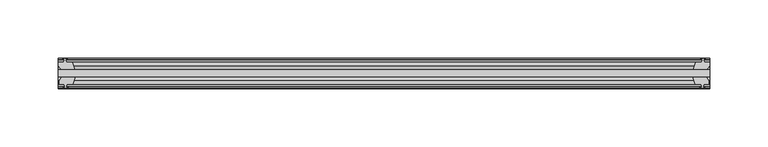
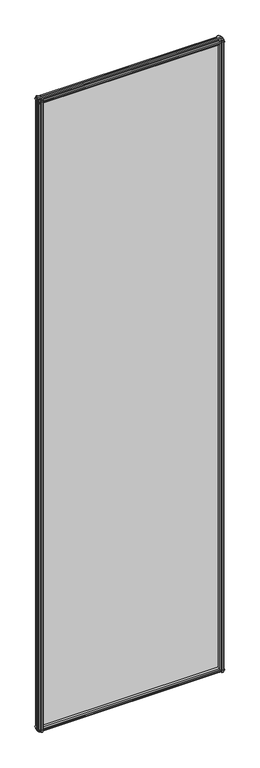
"""IFC4 building model written with IfcOpenShell, lengths in millimetres: plate geometry."""

from ifc_helpers import new_model, si_unit, frame, origin, place, context, project, spatial, polyline, outline, extrude, source, transform, mapped, element, save


def plate_557147c2(model_context):
    return source(origin(), model_context, "Body", "SweptSolid", [
        extrude(outline(polyline([(-301.625, -19.5460937), (258.2664063, -19.5460937), (258.2664063, -25.8960937), (-301.625, -25.8960937), (-301.625, -19.5460937)])), frame((0.0, 0.0, -12.7), z_axis=(0.0, 0.0, 1.0), x_axis=(1.0, 0.0, 0.0)), (0.0, 0.0, 1.0), 2019.3),
        extrude(outline(polyline([(255.29171, -25.8960937), (257.5044063, -29.2996938), (257.5044063, -32.2460938), (253.0594063, -32.2460938), (252.6784063, -34.6262907), (254.0939353, -34.1663575), (254.0939353, -34.9675717), (251.9164063, -35.6750938), (249.7388772, -34.9675717), (249.7388772, -34.1663575), (251.1544063, -34.6262907), (250.7734063, -32.2460938), (245.5664063, -32.2460938), (243.4611292, -25.8960937), (255.29171, -25.8960937)])), frame((0.0, 0.0, -12.7), z_axis=(0.0, 0.0, 1.0), x_axis=(1.0, 0.0, 0.0)), (0.0, 0.0, 1.0), 2019.3),
        extrude(outline(polyline([(250.2595772, -10.4746158), (252.4371062, -9.7670938), (254.6146353, -10.4746158), (254.6146353, -11.27583), (253.1991062, -10.8158968), (253.5801062, -13.1960938), (258.0251062, -13.1960938), (258.0251062, -16.1424938), (255.81241, -19.5460937), (243.9818292, -19.5460937), (246.0871062, -13.1960938), (251.2941062, -13.1960938), (251.6751062, -10.8158968), (250.2595772, -11.27583), (250.2595772, -10.4746158)])), frame((0.0, 0.0, -12.7), z_axis=(0.0, 0.0, 1.0), x_axis=(1.0, 0.0, 0.0)), (0.0, 0.0, 1.0), 2019.3),
        extrude(outline(polyline([(-286.8197229, -25.8960937), (-288.925, -32.2460937), (-294.132, -32.2460937), (-294.513, -34.6262907), (-293.0974709, -34.1663575), (-293.0974709, -34.9675717), (-295.275, -35.6750937), (-297.4525291, -34.9675717), (-297.4525291, -34.1663575), (-296.037, -34.6262907), (-296.418, -32.2460937), (-300.863, -32.2460937), (-300.863, -29.2996937), (-298.6503038, -25.8960937), (-286.8197229, -25.8960937)])), frame((0.0, 0.0, -12.7), z_axis=(0.0, 0.0, 1.0), x_axis=(1.0, 0.0, 0.0)), (0.0, 0.0, 1.0), 2019.3),
        extrude(outline(polyline([(-296.5577, -10.8158968), (-297.973229, -11.27583), (-297.973229, -10.4746158), (-295.7957, -9.7670937), (-293.6181709, -10.4746158), (-293.6181709, -11.27583), (-295.0337, -10.8158968), (-294.6527, -13.1960937), (-289.4457, -13.1960937), (-287.3404229, -19.5460937), (-299.1710038, -19.5460937), (-301.3837, -16.1424937), (-301.3837, -13.1960937), (-296.9387, -13.1960937), (-296.5577, -10.8158968)])), frame((0.0, 0.0, -12.7), z_axis=(0.0, 0.0, 1.0), x_axis=(1.0, 0.0, 0.0)), (0.0, 0.0, 1.0), 2019.3),
        extrude(outline(polyline([(-13.1960937, 2006.3587), (-13.1960937, 2001.9137), (-10.8158968, 2001.5327), (-11.27583, 2002.9482291), (-10.4746158, 2002.9482291), (-9.7670937, 2000.7707), (-10.4746158, 1998.5931709), (-11.27583, 1998.5931709), (-10.8158968, 2000.0087), (-13.1960937, 1999.6277), (-13.1960937, 1994.4207), (-19.5460937, 1992.3154229), (-19.5460937, 2004.1460038), (-16.1424937, 2006.3587), (-13.1960937, 2006.3587)])), frame((-301.625, 0.0, 0.0), z_axis=(1.0, 0.0, 0.0), x_axis=(0.0, 1.0, 0.0)), (0.0, 0.0, 1.0), 559.8914062),
        extrude(outline(polyline([(-29.2996937, 2005.838), (-25.8960937, 2003.6253038), (-25.8960937, 1991.7947229), (-32.2460937, 1993.9), (-32.2460937, 1999.107), (-34.6262907, 1999.488), (-34.1663575, 1998.072471), (-34.9675717, 1998.072471), (-35.6750937, 2000.25), (-34.9675717, 2002.4275291), (-34.1663575, 2002.4275291), (-34.6262907, 2001.012), (-32.2460937, 2001.393), (-32.2460937, 2005.838), (-29.2996937, 2005.838)])), frame((-301.625, 0.0, 0.0), z_axis=(1.0, 0.0, 0.0), x_axis=(0.0, 1.0, 0.0)), (0.0, 0.0, 1.0), 559.8914062),
        extrude(outline(polyline([(-25.8960937, 2.1052771), (-25.8960937, -9.7253038), (-29.2996937, -11.938), (-32.2460937, -11.938), (-32.2460937, -7.493), (-34.6262907, -7.112), (-34.1663575, -8.5275291), (-34.9675717, -8.5275291), (-35.6750937, -6.35), (-34.9675717, -4.1724709), (-34.1663575, -4.1724709), (-34.6262907, -5.588), (-32.2460937, -5.207), (-32.2460937, 0.0), (-25.8960937, 2.1052771)])), frame((-301.625, 0.0, 0.0), z_axis=(1.0, 0.0, 0.0), x_axis=(0.0, 1.0, 0.0)), (0.0, 0.0, 1.0), 559.8914062),
        extrude(outline(polyline([(-19.5460937, 1.5845771), (-13.1960937, -0.5207), (-13.1960937, -5.7277), (-10.8158968, -6.1087), (-11.27583, -4.6931709), (-10.4746158, -4.6931709), (-9.7670937, -6.8707), (-10.4746158, -9.048229), (-11.27583, -9.048229), (-10.8158968, -7.6327), (-13.1960937, -8.0137), (-13.1960937, -12.4587), (-16.1424937, -12.4587), (-19.5460937, -10.2460038), (-19.5460937, 1.5845771)])), frame((-301.625, 0.0, 0.0), z_axis=(1.0, 0.0, 0.0), x_axis=(0.0, 1.0, 0.0)), (0.0, 0.0, 1.0), 559.8914062),
    ])


if __name__ == "__main__":
    model = new_model("IFC4")
    model_context = context("Model", 3, world=origin())
    ifc_project = project(units=[si_unit("LENGTHUNIT", "METRE", prefix="MILLI")], contexts=[model_context])
    site = spatial("IfcSite", under=ifc_project)
    building = spatial("IfcBuilding", under=site)
    placement = place(None, origin())
    plate_shape = plate_557147c2(model_context)
    element("IfcPlate", 1, at=placement, inside=building, context=model_context, shape_type="MappedRepresentation", body=[
        mapped(plate_shape, transform((0.0, 0.0, 0.0), x_axis=(1.0, 0.0, 0.0), y_axis=(0.0, 1.0, 0.0), z_axis=(0.0, 0.0, 1.0))),
    ])
    save(model, "model.ifc")
